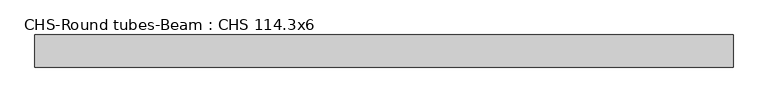
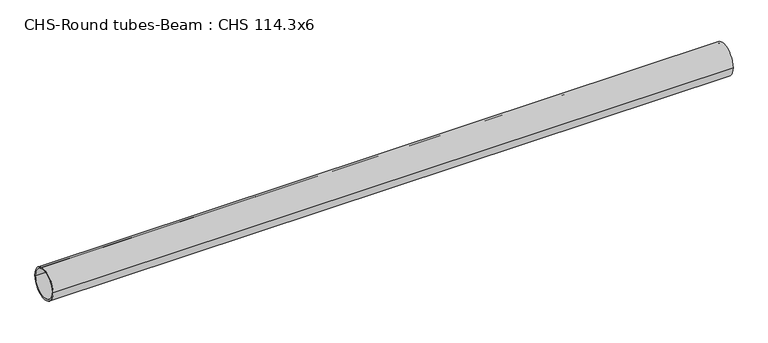
"""IFC4 building model written with IfcOpenShell, lengths in millimetres: beam geometry, CHS-Round tubes-Beam : CHS 114.3x6."""

from ifc_helpers import new_model, si_unit, point, frame, origin, origin_2d, place, context, project, spatial, circle_curve, trimmed, segment, composite_curve, outline, extrude, source, transform, mapped, element, save


def chs_round_tubes_beam_chs_114_3x6_7a3dc23c(model_context):
    return source(origin(), model_context, "Body", "SweptSolid", [
        extrude(outline(composite_curve([segment(trimmed(circle_curve(origin_2d(), 57.15), [point((57.15, 0.0))], [point((-57.15, 0.0))], False, "CARTESIAN"), True, "CONTINUOUS"), segment(trimmed(circle_curve(origin_2d(), 57.15), [point((-57.15, 0.0))], [point((57.15, 0.0))], False, "CARTESIAN"), True, "CONTINUOUS")], self_intersect=False), holes=[composite_curve([segment(trimmed(circle_curve(origin_2d(), 51.15), [point((51.15, 0.0))], [point((-51.15, 0.0))], True, "CARTESIAN"), True, "CONTINUOUS"), segment(trimmed(circle_curve(origin_2d(), 51.15), [point((-51.15, 0.0))], [point((51.15, 0.0))], True, "CARTESIAN"), True, "CONTINUOUS")], self_intersect=False)]), frame((-1220.3610933, 0.0, 0.0), z_axis=(1.0, 0.0, 0.0), x_axis=(0.0, 1.0, 0.0)), (0.0, 0.0, 1.0), 2483.7037435),
    ])


if __name__ == "__main__":
    model = new_model("IFC4")
    model_context = context("Model", 3, world=origin())
    ifc_project = project(units=[si_unit("LENGTHUNIT", "METRE", prefix="MILLI")], contexts=[model_context])
    site = spatial("IfcSite", under=ifc_project)
    building = spatial("IfcBuilding", under=site)
    placement = place(None, origin())
    chs_round_tubes_beam_chs_114_3x6_shape = chs_round_tubes_beam_chs_114_3x6_7a3dc23c(model_context)
    element("IfcBeam", 1, ObjectType="CHS-Round tubes-Beam : CHS 114.3x6", at=placement, inside=building, context=model_context, shape_type="MappedRepresentation", body=[
        mapped(chs_round_tubes_beam_chs_114_3x6_shape, transform((0.0, 0.0, 0.0), x_axis=(1.0, 0.0, 0.0), y_axis=(0.0, 1.0, 0.0), z_axis=(0.0, 0.0, 1.0))),
    ])
    save(model, "model.ifc")
